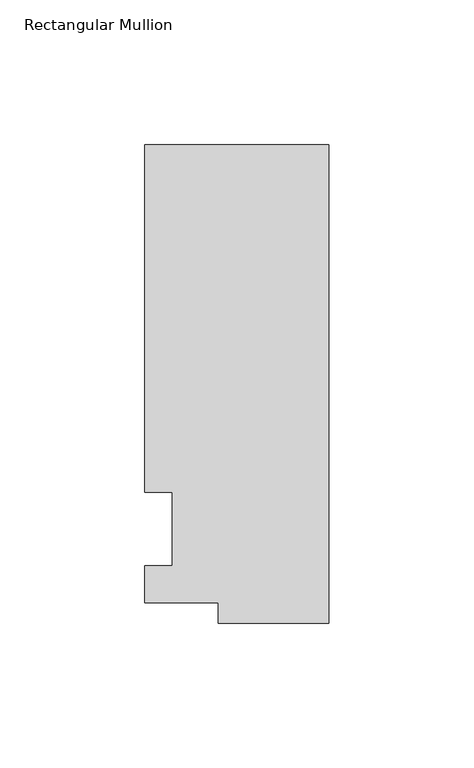
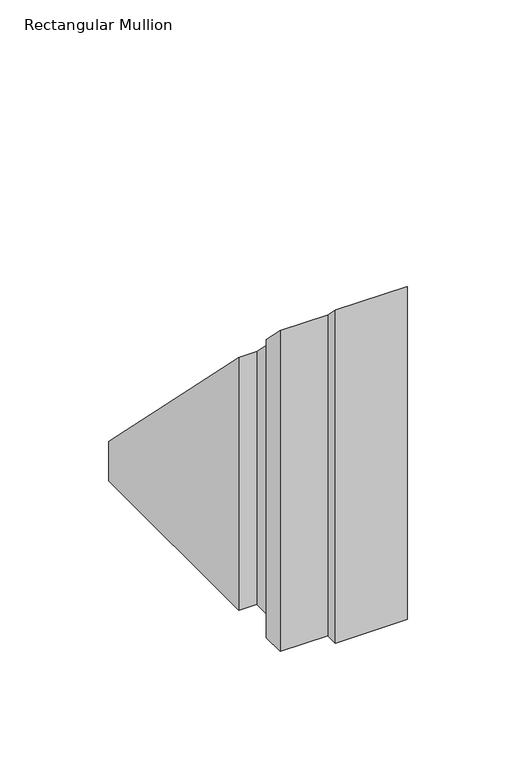
"""IFC4 building model written with IfcOpenShell, lengths in millimetres: member geometry, Rectangular Mullion."""

from ifc_helpers import new_model, si_unit, origin, place, context, project, spatial, faceted_brep, source, transform, mapped, element, save


def rectangular_mullion_a9c67f4b(model_context):
    return source(origin(), model_context, "Body", "Brep", [
        faceted_brep([(-38.1, -32.54375, -154.933587), (-38.1, -25.58415, -154.933587), (-63.5, -25.58415, -154.933587), (-63.5, -12.7, -154.933587), (-53.975, -12.7, -154.933587), (-53.975, 12.7, -154.933587), (-63.5, 12.7, -154.933587), (-63.5, 132.55625, -154.933587), (0.0, 132.55625, -154.933587), (0.0, -32.54375, -154.933587), (0.0, -32.54375, 32.54375), (-38.1, -32.54375, 32.54375), (0.0, 132.55625, -132.55625), (-63.5, 132.55625, -132.55625), (-63.5, 12.7, -12.7), (-53.975, 12.7, -12.7), (-53.975, -12.7, 12.7), (-63.5, -12.7, 12.7), (-63.5, -25.58415, 25.58415), (-38.1, -25.58415, 25.58415)], [[[0, 1, 2, 3, 4, 5, 6, 7, 8, 9]], [[10, 11, 0, 9]], [[12, 10, 9, 8]], [[13, 12, 8, 7]], [[14, 13, 7, 6]], [[15, 14, 6, 5]], [[16, 15, 5, 4]], [[17, 16, 4, 3]], [[18, 17, 3, 2]], [[11, 10, 12, 13, 14, 15, 16, 17, 18, 19]], [[19, 18, 2, 1]], [[11, 19, 1, 0]]]),
    ])


if __name__ == "__main__":
    model = new_model("IFC4")
    model_context = context("Model", 3, world=origin())
    ifc_project = project(units=[si_unit("LENGTHUNIT", "METRE", prefix="MILLI")], contexts=[model_context])
    site = spatial("IfcSite", under=ifc_project)
    building = spatial("IfcBuilding", under=site)
    placement = place(None, origin())
    rectangular_mullion_shape = rectangular_mullion_a9c67f4b(model_context)
    element("IfcMember", 1, ObjectType="Rectangular Mullion", at=placement, inside=building, context=model_context, shape_type="MappedRepresentation", body=[
        mapped(rectangular_mullion_shape, transform((0.0, 0.0, 0.0), x_axis=(1.0, 0.0, 0.0), y_axis=(0.0, 1.0, 0.0), z_axis=(0.0, 0.0, 1.0))),
    ])
    save(model, "model.ifc")
